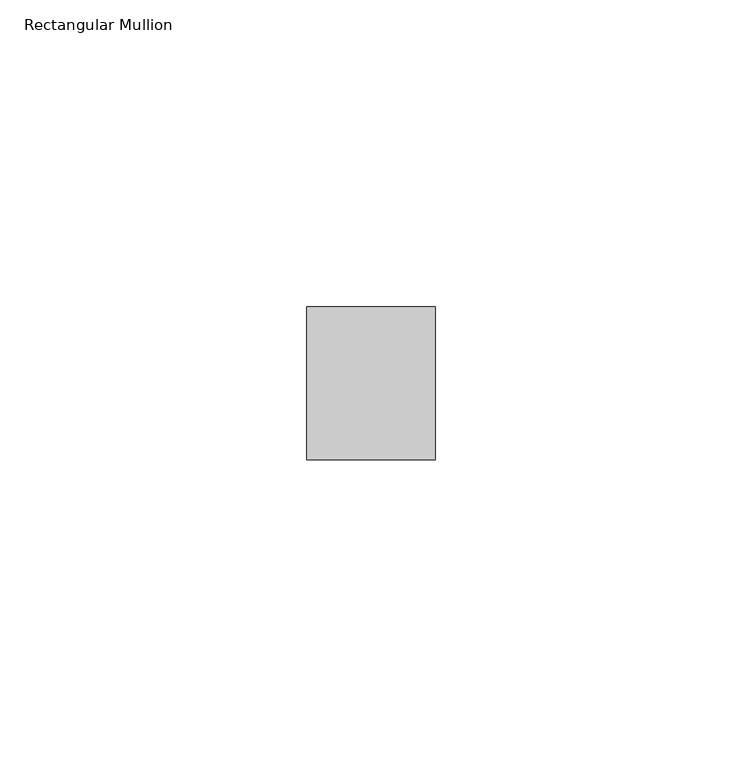
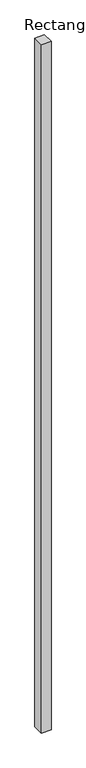
"""IFC4 building model written with IfcOpenShell, lengths in millimetres: member geometry, Rectangular Mullion."""

import ifcopenshell
import ifcopenshell.guid

model = None  # the IFC model being written
_history = None  # IfcOwnerHistory: only IFC2X3 demands one
_inside = {}  # id of a spatial element -> (the spatial element, [elements in it])
_under = {}  # id of a project, library or spatial element -> (it, [spatial elements below it])
_declared = {}  # id of a project -> (the project, [libraries it declares])
_typed = {}  # id of a type object -> (the type object, [elements of that type])
_made_of = {}  # id of a material, layer set ... -> (it, [elements and type objects made of it])


def new_model(schema):
    """Start an empty IFC model of exactly this schema.

    Asked for "IFC4X3", IfcOpenShell would pick the latest addendum, in which some entities
    have other attributes; the version numbers below select the first issue.
    IFC2X3 requires an IfcOwnerHistory on every rooted entity: one is made here for all.
    """
    global model, _history
    if schema == "IFC4X3":
        model = ifcopenshell.file(schema_version=(4, 3, 0, 0))
    else:
        model = ifcopenshell.file(schema=schema)
    _inside.clear()
    _under.clear()
    _declared.clear()
    _typed.clear()
    _made_of.clear()
    _history = None
    if model.schema == "IFC2X3":
        org = make("IfcOrganization", Name="unknown")
        user = make(
            "IfcPersonAndOrganization",
            ThePerson=make("IfcPerson", FamilyName="unknown"),
            TheOrganization=org,
        )
        app = make(
            "IfcApplication",
            ApplicationDeveloper=org,
            Version="unknown",
            ApplicationFullName="unknown",
            ApplicationIdentifier="unknown",
        )
        _history = make(
            "IfcOwnerHistory",
            OwningUser=user,
            OwningApplication=app,
            ChangeAction="ADDED",
            CreationDate=0,
        )
    return model


def make(cls, **values):
    """One entity of the class cls with the attributes given. An attribute that is None is left unset."""
    return model.create_entity(
        cls, **{name: value for name, value in values.items() if value is not None}
    )


def rooted(cls, **values):
    """An entity with a GlobalId (a new one), such as an element, a storey or a relation."""
    return make(cls, GlobalId=ifcopenshell.guid.new(), OwnerHistory=_history, **values)


def si_unit(unit_type, name, prefix=None):
    """IfcSIUnit, for example si_unit("LENGTHUNIT", "METRE", prefix="MILLI")."""
    return make("IfcSIUnit", UnitType=unit_type, Prefix=prefix, Name=name)


def assignment(units):
    """IfcUnitAssignment: the units of a project."""
    return None if units is None else make("IfcUnitAssignment", Units=units)


def point(xyz):
    """IfcCartesianPoint."""
    return None if xyz is None else make("IfcCartesianPoint", Coordinates=xyz)


def direction(xyz):
    """IfcDirection."""
    return None if xyz is None else make("IfcDirection", DirectionRatios=xyz)


def frame(location, z_axis=None, x_axis=None):
    """IfcAxis2Placement3D, a coordinate frame: its origin and axes. An axis left out is left unset."""
    return make(
        "IfcAxis2Placement3D",
        Location=point(location),
        Axis=direction(z_axis),
        RefDirection=direction(x_axis),
    )


def origin():
    """The frame at (0, 0, 0) with its axes left unset."""
    return frame((0.0, 0.0, 0.0))


def place(relative_to, where):
    """IfcLocalPlacement: puts the frame where relative to a parent placement (None: the world)."""
    return make(
        "IfcLocalPlacement", PlacementRelTo=relative_to, RelativePlacement=where
    )


def context(
    kind, dimensions, precision=None, world=None, true_north=None, identifier=None
):
    """IfcGeometricRepresentationContext, for example the 3D "Model" context."""
    return make(
        "IfcGeometricRepresentationContext",
        ContextIdentifier=identifier,
        ContextType=kind,
        CoordinateSpaceDimension=dimensions,
        Precision=precision,
        WorldCoordinateSystem=world,
        TrueNorth=true_north,
    )


def project(units=None, contexts=None):
    """IfcProject with its units and contexts."""
    return rooted(
        "IfcProject",
        Name="project",
        RepresentationContexts=contexts,
        UnitsInContext=assignment(units),
    )


def spatial(cls, under=None, at=None, **own):
    """A site, building, storey or space (cls), placed at a placement, below another one or the project."""
    s = rooted(cls, ObjectPlacement=at, **own)
    if under is not None:
        _under.setdefault(under.id(), (under, []))[1].append(s)
    return s


def polyline(points):
    """IfcPolyline through the points."""
    return make("IfcPolyline", Points=[point(p) for p in points])


def outline(outer, holes=None, kind="AREA"):
    """IfcArbitraryClosedProfileDef: a profile drawn as a closed curve; with holes, ...WithVoids."""
    if holes is None:
        return make("IfcArbitraryClosedProfileDef", ProfileType=kind, OuterCurve=outer)
    return make(
        "IfcArbitraryProfileDefWithVoids",
        ProfileType=kind,
        OuterCurve=outer,
        InnerCurves=holes,
    )


def extrude(swept, where, along, depth):
    """IfcExtrudedAreaSolid: the profile swept, set in the frame where, extruded along a direction by depth."""
    return make(
        "IfcExtrudedAreaSolid",
        SweptArea=swept,
        Position=where,
        ExtrudedDirection=direction(along),
        Depth=depth,
    )


def shape(context_of_items, identifier, shape_type, items):
    """IfcShapeRepresentation: the items that make up one representation, for example the "Body"."""
    return make(
        "IfcShapeRepresentation",
        ContextOfItems=context_of_items,
        RepresentationIdentifier=identifier,
        RepresentationType=shape_type,
        Items=items,
    )


def source(mapping_origin, context_of_items, identifier, shape_type, items):
    """IfcRepresentationMap: a shape defined once, which mapped items show again and again."""
    return make(
        "IfcRepresentationMap",
        MappingOrigin=mapping_origin,
        MappedRepresentation=shape(context_of_items, identifier, shape_type, items),
    )


def transform(
    local_origin,
    x_axis=None,
    y_axis=None,
    z_axis=None,
    scale=None,
    scale2=None,
    scale3=None,
    uniform=True,
):
    """IfcCartesianTransformationOperator3D, or its non-uniform kind. x_axis, y_axis, z_axis: its Axis1, 2, 3."""
    if uniform:
        return make(
            "IfcCartesianTransformationOperator3D",
            Axis1=direction(x_axis),
            Axis2=direction(y_axis),
            LocalOrigin=point(local_origin),
            Scale=scale,
            Axis3=direction(z_axis),
        )
    return make(
        "IfcCartesianTransformationOperator3DnonUniform",
        Axis1=direction(x_axis),
        Axis2=direction(y_axis),
        LocalOrigin=point(local_origin),
        Scale=scale,
        Axis3=direction(z_axis),
        Scale2=scale2,
        Scale3=scale3,
    )


def mapped(mapping_source, mapping_target):
    """IfcMappedItem: shows the shape of a source again, moved by a transform."""
    return make(
        "IfcMappedItem", MappingSource=mapping_source, MappingTarget=mapping_target
    )


def made_of(thing, what):
    """Note that an element or type object is made of a material, layer set ...; save() writes the relation."""
    if what is not None:
        _made_of.setdefault(what.id(), (what, []))[1].append(thing)
    return thing


def element(
    cls,
    number,
    at=None,
    inside=None,
    cuts=None,
    type_object=None,
    material=None,
    context=None,
    identifier="Body",
    shape_type=None,
    held_by="IfcProductDefinitionShape",
    body=None,
    shapes=None,
    **own,
):
    """One element of the class cls, such as IfcWall. Its Tag is "e" and its number.

    at: its placement. inside: the storey or other place that contains it. cuts: it is an
    opening in that element (IfcRelVoidsElement). A single representation is given by context,
    identifier, shape_type and body (its items); several are given by shapes. held_by: the class
    of the entity that holds the representations. save() writes the other relations.
    """
    e = rooted(cls, Tag="e%d" % number, ObjectPlacement=at, **own)
    if body is not None:
        shapes = [shape(context, identifier, shape_type, body)]
    if shapes is not None:
        e.Representation = make(held_by, Representations=shapes)
    if inside is not None:
        _inside.setdefault(inside.id(), (inside, []))[1].append(e)
    if cuts is not None:
        rooted(
            "IfcRelVoidsElement", RelatingBuildingElement=cuts, RelatedOpeningElement=e
        )
    if type_object is not None:
        _typed.setdefault(type_object.id(), (type_object, []))[1].append(e)
    return made_of(e, material)


def aggregate(whole, parts):
    """IfcRelAggregates: a whole, such as a stair, and the parts it consists of."""
    return rooted("IfcRelAggregates", RelatingObject=whole, RelatedObjects=parts)


def save(model, path):
    """Write the relations noted so far, then the file.

    IfcRelAggregates (storeys below a building ...), IfcRelContainedInSpatialStructure (elements
    in a storey), IfcRelDefinesByType, IfcRelAssociatesMaterial and IfcRelDeclares: one each for
    every whole, place, type object, material and project.
    """
    for whole, parts in _under.values():
        aggregate(whole, parts)
    for where, things in _inside.values():
        rooted(
            "IfcRelContainedInSpatialStructure",
            RelatedElements=things,
            RelatingStructure=where,
        )
    for kind, things in _typed.values():
        rooted("IfcRelDefinesByType", RelatedObjects=things, RelatingType=kind)
    for what, things in _made_of.values():
        rooted("IfcRelAssociatesMaterial", RelatedObjects=things, RelatingMaterial=what)
    for by, libraries in _declared.values():
        rooted("IfcRelDeclares", RelatingContext=by, RelatedDefinitions=libraries)
    model.write(path)


def rectangular_mullion_4793302d(model_context):
    return source(origin(), model_context, "Body", "SweptSolid", [
        extrude(outline(polyline([(0.0, 44.5), (0.0, 19.5), (-21.0, 19.5), (-21.0, 44.5), (0.0, 44.5)])), frame((0.0, 0.0, -1600.0000001), z_axis=(0.0, 0.0, 1.0), x_axis=(1.0, 0.0, 0.0)), (0.0, 0.0, 1.0), 1600.0000001),
    ])


if __name__ == "__main__":
    model = new_model("IFC4")
    model_context = context("Model", 3, world=origin())
    ifc_project = project(units=[si_unit("LENGTHUNIT", "METRE", prefix="MILLI")], contexts=[model_context])
    site = spatial("IfcSite", under=ifc_project)
    building = spatial("IfcBuilding", under=site)
    placement = place(None, origin())
    rectangular_mullion_shape = rectangular_mullion_4793302d(model_context)
    element("IfcMember", 1, ObjectType="Rectangular Mullion", at=placement, inside=building, context=model_context, shape_type="MappedRepresentation", body=[
        mapped(rectangular_mullion_shape, transform((0.0, 0.0, 0.0), x_axis=(1.0, 0.0, 0.0), y_axis=(0.0, 1.0, 0.0), z_axis=(0.0, 0.0, 1.0))),
    ])
    save(model, "model.ifc")
